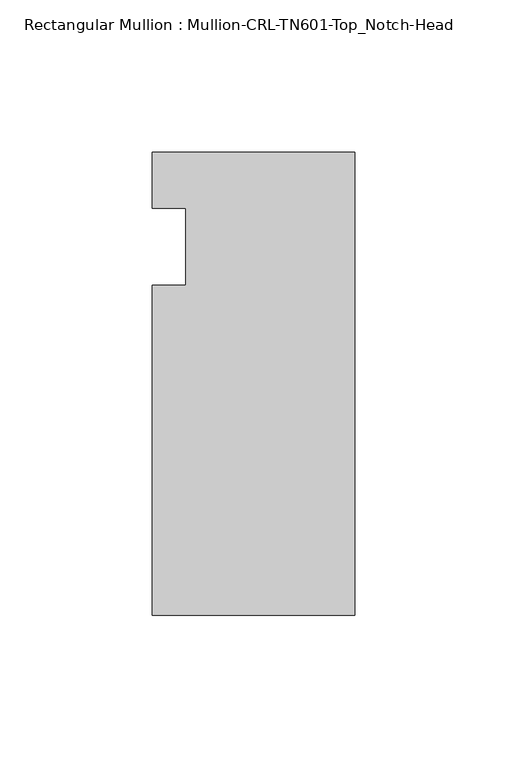
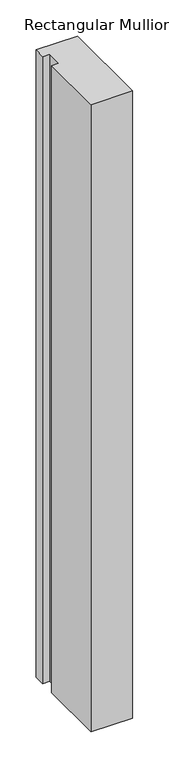
"""IFC4 building model written with IfcOpenShell, lengths in millimetres: member geometry, Rectangular Mullion : Mullion-CRL-TN601-Top_Notch-Head."""

from ifc_helpers import new_model, si_unit, frame, origin, place, context, project, spatial, polyline, outline, extrude, source, transform, mapped, element, save


def rectangular_mullion_mullion_crl_tn601_top_notch_head_0c2f071e(model_context):
    return source(origin(), model_context, "Body", "SweptSolid", [
        extrude(outline(polyline([(0.0, -121.259591), (-66.675, -121.259591), (-66.675, -12.7), (-55.5625, -12.7), (-55.5625, 12.7), (-66.675, 12.7), (-66.675, 31.140391), (0.0, 31.140391), (0.0, -121.259591)])), frame((0.0, 0.0, -1059.4298439), z_axis=(0.0, 0.0, 1.0), x_axis=(1.0, 0.0, 0.0)), (0.0, 0.0, 1.0), 1059.4298439),
    ])


if __name__ == "__main__":
    model = new_model("IFC4")
    model_context = context("Model", 3, world=origin())
    ifc_project = project(units=[si_unit("LENGTHUNIT", "METRE", prefix="MILLI")], contexts=[model_context])
    site = spatial("IfcSite", under=ifc_project)
    building = spatial("IfcBuilding", under=site)
    placement = place(None, origin())
    rectangular_mullion_mullion_crl_tn601_top_notch_head_shape = rectangular_mullion_mullion_crl_tn601_top_notch_head_0c2f071e(model_context)
    element("IfcMember", 1, ObjectType="Rectangular Mullion : Mullion-CRL-TN601-Top_Notch-Head", at=placement, inside=building, context=model_context, shape_type="MappedRepresentation", body=[
        mapped(rectangular_mullion_mullion_crl_tn601_top_notch_head_shape, transform((0.0, 0.0, 0.0), x_axis=(1.0, 0.0, 0.0), y_axis=(0.0, 1.0, 0.0), z_axis=(0.0, 0.0, 1.0))),
    ])
    save(model, "model.ifc")
